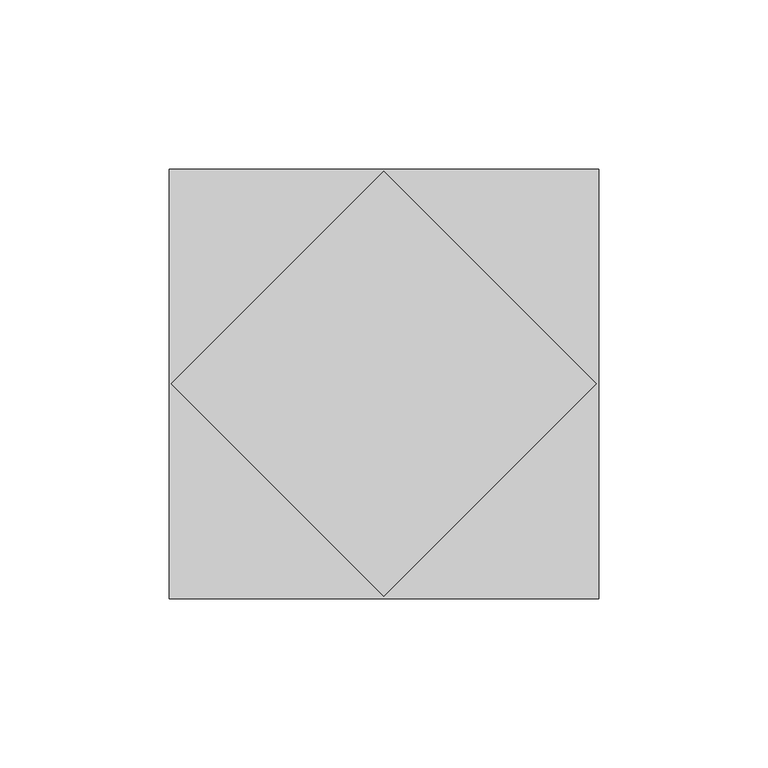
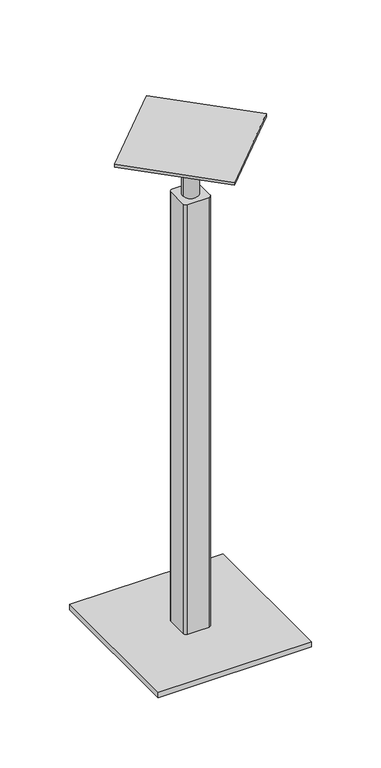
"""IFC4 building model written with IfcOpenShell, lengths in millimetres: proxy geometry."""

from ifc_helpers import new_model, si_unit, frame, origin, place, context, project, spatial, circle_curve, source, transform, mapped, element, save
from ifc_brep_helpers import plane_surface, cylinder_surface, advanced_brep


def generic_models_763cf47a(model_context):
    return source(origin(), model_context, "Body", "AdvancedBrep", [
        advanced_brep(
        [(-63.5, -63.5, -452.4375), (63.5, -63.5, -452.4375), (63.5, 63.5, -452.4375), (-63.5, 63.5, -452.4375), (-11.1125, 8.73125, -452.4375), (-8.73125, 11.1125, -452.4375), (0.0, 11.1125, -452.4375), (8.73125, 11.1125, -452.4375), (11.1125, 8.73125, -452.4375), (11.1125, 0.0, -452.4375), (11.1125, -8.73125, -452.4375), (8.73125, -11.1125, -452.4375), (0.0, -11.1125, -452.4375), (-8.73125, -11.1125, -452.4375), (-11.1125, -8.73125, -452.4375), (-11.1125, 0.0, -452.4375), (-63.5, -63.5, -457.2), (-63.5, 63.5, -457.2), (63.5, 63.5, -457.2), (63.5, -63.5, -457.2), (6.35, 0.0, -30.95625), (6.35, 0.0, -76.2), (-6.35, 0.0, -76.2), (-6.35, 0.0, -30.95625), (-62.8617928, 0.0, -30.95625), (0.0, 62.8617928, -30.95625), (62.8617928, 0.0, -30.95625), (0.0, -62.8617928, -30.95625), (-62.8617928, 0.0, -28.575), (0.0, -62.8617928, -28.575), (62.8617928, 0.0, -28.575), (0.0, 62.8617928, -28.575), (8.73125, 11.1125, -76.2), (-8.73125, 11.1125, -76.2), (-11.1125, 8.73125, -76.2), (-11.1125, -8.73125, -76.2), (-8.73125, -11.1125, -76.2), (8.73125, -11.1125, -76.2), (11.1125, -8.73125, -76.2), (11.1125, 8.73125, -76.2)],
        [
            (0, 1),
            (1, 2),
            (2, 3),
            (3, 0),
            (4, 5, circle_curve(frame((-8.73125, 8.73125, -452.4375), z_axis=(0.0, 0.0, -1.0), x_axis=(-1.0, 0.0, 0.0)), 2.38125)),
            (5, 6),
            (6, 7),
            (7, 8, circle_curve(frame((8.73125, 8.73125, -452.4375), z_axis=(0.0, 0.0, -1.0), x_axis=(-1.0, 0.0, 0.0)), 2.38125)),
            (8, 9),
            (9, 10),
            (10, 11, circle_curve(frame((8.73125, -8.73125, -452.4375), z_axis=(0.0, 0.0, -1.0), x_axis=(-1.0, 0.0, 0.0)), 2.38125)),
            (11, 12),
            (12, 13),
            (13, 14, circle_curve(frame((-8.73125, -8.73125, -452.4375), z_axis=(0.0, 0.0, -1.0), x_axis=(-1.0, 0.0, 0.0)), 2.38125)),
            (14, 15),
            (15, 4),
            (16, 17),
            (17, 18),
            (18, 19),
            (19, 16),
            (0, 16),
            (19, 1),
            (18, 2),
            (17, 3),
            (20, 21),
            (21, 22, circle_curve(frame((0.0, 0.0, -76.2), z_axis=(0.0, 0.0, 1.0), x_axis=(1.0, 0.0, 0.0)), 6.35)),
            (22, 23),
            (23, 20, circle_curve(frame((0.0, 0.0, -30.95625), z_axis=(0.0, 0.0, -1.0), x_axis=(1.0, 0.0, 0.0)), 6.35)),
            (20, 23, circle_curve(frame((0.0, 0.0, -30.95625), z_axis=(0.0, 0.0, -1.0), x_axis=(1.0, 0.0, 0.0)), 6.35)),
            (22, 21, circle_curve(frame((0.0, 0.0, -76.2), z_axis=(0.0, 0.0, 1.0), x_axis=(1.0, 0.0, 0.0)), 6.35)),
            (24, 25),
            (25, 26),
            (26, 27),
            (27, 24),
            (28, 29),
            (29, 30),
            (30, 31),
            (31, 28),
            (27, 29),
            (28, 24),
            (26, 30),
            (25, 31),
            (32, 33),
            (33, 34, circle_curve(frame((-8.73125, 8.73125, -76.2), z_axis=(0.0, 0.0, 1.0), x_axis=(-1.0, 0.0, 0.0)), 2.38125)),
            (34, 35),
            (35, 36, circle_curve(frame((-8.73125, -8.73125, -76.2), z_axis=(0.0, 0.0, 1.0), x_axis=(-1.0, 0.0, 0.0)), 2.38125)),
            (36, 37),
            (37, 38, circle_curve(frame((8.73125, -8.73125, -76.2), z_axis=(0.0, 0.0, 1.0), x_axis=(-1.0, 0.0, 0.0)), 2.38125)),
            (38, 39),
            (39, 32, circle_curve(frame((8.73125, 8.73125, -76.2), z_axis=(0.0, 0.0, 1.0), x_axis=(-1.0, 0.0, 0.0)), 2.38125)),
            (32, 7),
            (5, 33),
            (34, 4),
            (14, 35),
            (36, 13),
            (11, 37),
            (38, 10),
            (8, 39),
        ],
        [
            plane_surface(frame((63.5, -63.5, -452.4375), z_axis=(0.0, 0.0, 1.0), x_axis=(1.0, 0.0, 0.0))),
            plane_surface(frame((63.5, -63.5, -457.2), z_axis=(0.0, 0.0, -1.0), x_axis=(-1.0, 0.0, 0.0))),
            plane_surface(frame((-63.5, -63.5, -452.4375), z_axis=(0.0, -1.0, 0.0), x_axis=(0.0, 0.0, -1.0))),
            plane_surface(frame((63.5, -63.5, -452.4375), z_axis=(1.0, 0.0, 0.0), x_axis=(0.0, 0.0, -1.0))),
            plane_surface(frame((63.5, 63.5, -452.4375), z_axis=(0.0, 1.0, 0.0), x_axis=(0.0, 0.0, -1.0))),
            plane_surface(frame((-63.5, 63.5, -452.4375), z_axis=(-1.0, 0.0, 0.0), x_axis=(0.0, 0.0, -1.0))),
            cylinder_surface(frame((0.0, 0.0, 38.1), z_axis=(0.0, 0.0, 1.0), x_axis=(1.0, 0.0, 0.0)), 6.35),
            plane_surface(frame((-62.8617928, 0.0, -30.95625), z_axis=(0.0, 0.0, -1.0000000000000002), x_axis=(-0.7071067811858168, 0.7071067811872783, 0.0))),
            plane_surface(frame((-62.8617928, 0.0, -28.575), z_axis=(0.0, 0.0, 1.0000000000000002), x_axis=(0.7071067811858168, -0.7071067811872783, 0.0))),
            plane_surface(frame((-62.8617928, 0.0, -28.575), z_axis=(-0.7071067811872783, -0.7071067811858168, 0.0), x_axis=(0.0, 0.0, -1.0))),
            plane_surface(frame((0.0, -62.8617928, -28.575), z_axis=(0.7071067811863134, -0.7071067811867816, 0.0), x_axis=(0.0, 0.0, -1.0))),
            plane_surface(frame((62.8617928, 0.0, -28.575), z_axis=(0.7071067811858158, 0.7071067811872793, 0.0), x_axis=(0.0, 0.0, -1.0))),
            plane_surface(frame((0.0, 62.8617928, -28.575), z_axis=(-0.7071067811867853, 0.7071067811863098, 0.0), x_axis=(0.0, 0.0, -1.0))),
            plane_surface(frame((-11.1125, 11.1125, -76.2), z_axis=(0.0, 0.0, 1.0), x_axis=(-1.0, 0.0, 0.0))),
            plane_surface(frame((8.73125, 11.1125, -76.2), z_axis=(0.0, 1.0, 0.0), x_axis=(0.0, 0.0, -1.0))),
            plane_surface(frame((-11.1125, 8.73125, -76.2), z_axis=(-1.0, 0.0, 0.0), x_axis=(0.0, 0.0, -1.0))),
            plane_surface(frame((-8.73125, -11.1125, -76.2), z_axis=(0.0, -1.0, 0.0), x_axis=(0.0, 0.0, -1.0))),
            plane_surface(frame((11.1125, -8.73125, -76.2), z_axis=(1.0, 0.0, 0.0), x_axis=(0.0, 0.0, -1.0))),
            cylinder_surface(frame((-8.73125, 8.73125, -457.2), z_axis=(0.0, 0.0, 1.0), x_axis=(-1.0, 0.0, 0.0)), 2.38125),
            cylinder_surface(frame((-8.73125, -8.73125, -457.2), z_axis=(0.0, 0.0, 1.0), x_axis=(-1.0, 0.0, 0.0)), 2.38125),
            cylinder_surface(frame((8.73125, -8.73125, -457.2), z_axis=(0.0, 0.0, 1.0), x_axis=(-1.0, 0.0, 0.0)), 2.38125),
            cylinder_surface(frame((8.73125, 8.73125, -457.2), z_axis=(0.0, 0.0, 1.0), x_axis=(-1.0, 0.0, 0.0)), 2.38125),
        ],
        [
            (0, [[1, 2, 3, 4], [5, 6, 7, 8, 9, 10, 11, 12, 13, 14, 15, 16]]),
            (1, [[17, 18, 19, 20]]),
            (2, [[-1, 21, -20, 22]]),
            (3, [[-2, -22, -19, 23]]),
            (4, [[-3, -23, -18, 24]]),
            (5, [[-4, -24, -17, -21]]),
            (6, [[25, 26, 27, 28]]),
            (6, [[-25, 29, -27, 30]]),
            (7, [[31, 32, 33, 34], [-28, -29]]),
            (8, [[35, 36, 37, 38]]),
            (9, [[-34, 39, -35, 40]]),
            (10, [[-33, 41, -36, -39]]),
            (11, [[-32, 42, -37, -41]]),
            (12, [[-31, -40, -38, -42]]),
            (13, [[43, 44, 45, 46, 47, 48, 49, 50], [-26, -30]]),
            (14, [[-43, 51, -7, -6, 52]]),
            (15, [[-45, 53, -16, -15, 54]]),
            (16, [[-47, 55, -13, -12, 56]]),
            (17, [[-49, 57, -10, -9, 58]]),
            (18, [[-44, -52, -5, -53]]),
            (19, [[-46, -54, -14, -55]]),
            (20, [[-48, -56, -11, -57]]),
            (21, [[-50, -58, -8, -51]]),
        ],
    ),
    ])


if __name__ == "__main__":
    model = new_model("IFC4")
    model_context = context("Model", 3, world=origin())
    ifc_project = project(units=[si_unit("LENGTHUNIT", "METRE", prefix="MILLI")], contexts=[model_context])
    site = spatial("IfcSite", under=ifc_project)
    building = spatial("IfcBuilding", under=site)
    placement = place(None, origin())
    generic_models_shape = generic_models_763cf47a(model_context)
    element("IfcBuildingElementProxy", 1, Name="Generic Models", at=placement, inside=building, context=model_context, shape_type="MappedRepresentation", body=[
        mapped(generic_models_shape, transform((0.0, 0.0, 0.0), x_axis=(1.0, 0.0, 0.0), y_axis=(0.0, 1.0, 0.0), z_axis=(0.0, 0.0, 1.0))),
    ])
    save(model, "model.ifc")
